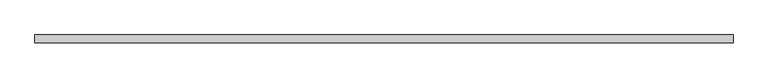
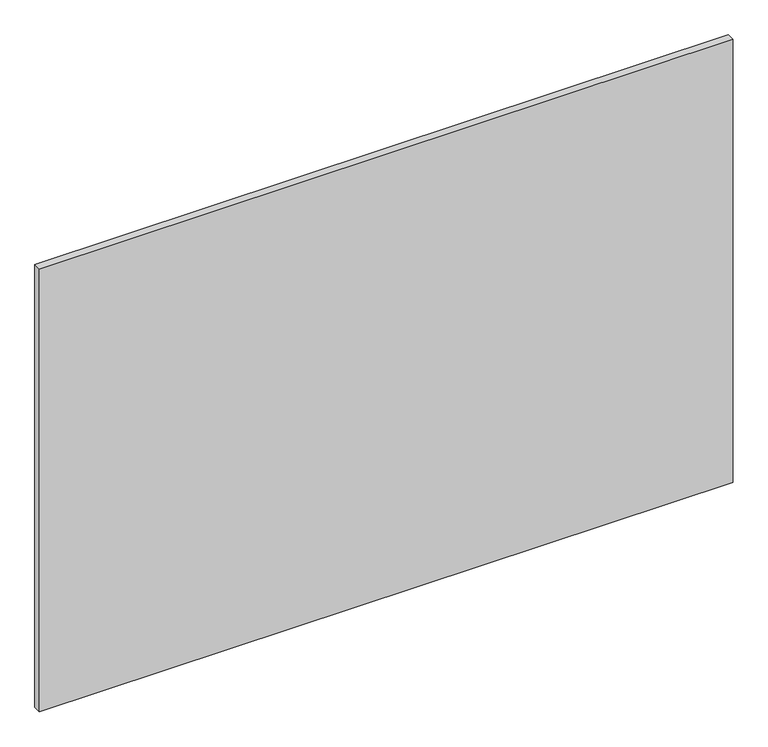
"""IFC4 building model written with IfcOpenShell, lengths in millimetres: plate geometry."""

from ifc_helpers import new_model, si_unit, origin, origin_with_axes, place, context, project, spatial, polyline, outline, extrude, source, transform, mapped, element, save


def plate_d84d4082(model_context):
    return source(origin(), model_context, "Body", "SweptSolid", [
        extrude(outline(polyline([(616.6, -40.2), (-616.6, -40.2), (-616.6, -26.2), (616.6, -26.2), (616.6, -40.2)])), origin_with_axes(), (0.0, 0.0, 1.0), 833.3),
    ])


if __name__ == "__main__":
    model = new_model("IFC4")
    model_context = context("Model", 3, world=origin())
    ifc_project = project(units=[si_unit("LENGTHUNIT", "METRE", prefix="MILLI")], contexts=[model_context])
    site = spatial("IfcSite", under=ifc_project)
    building = spatial("IfcBuilding", under=site)
    placement = place(None, origin())
    plate_shape = plate_d84d4082(model_context)
    element("IfcPlate", 1, at=placement, inside=building, context=model_context, shape_type="MappedRepresentation", body=[
        mapped(plate_shape, transform((0.0, 0.0, 0.0), x_axis=(1.0, 0.0, 0.0), y_axis=(0.0, 1.0, 0.0), z_axis=(0.0, 0.0, 1.0))),
    ])
    save(model, "model.ifc")
